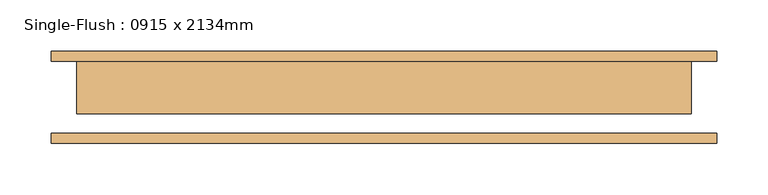
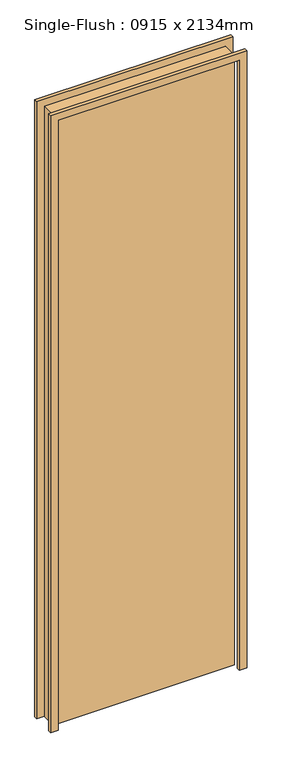
"""IFC4 building model written with IfcOpenShell, lengths in millimetres: door geometry, Single-Flush : 0915 x 2134mm."""

from ifc_helpers import new_model, si_unit, frame, origin, origin_with_axes, place, context, project, spatial, polyline, outline, extrude, source, transform, mapped, element, save


def single_flush_0915_x_2134mm_3a859b1a(model_context):
    return source(origin(), model_context, "Body", "SweptSolid", [
        extrude(outline(polyline([(2159.0, -325.0), (0.0, -325.0), (0.0, -300.0), (2134.0, -300.0), (2134.0, 300.0), (0.0, 300.0), (0.0, 325.0), (2159.0, 325.0), (2159.0, -325.0)])), frame((0.0, 35.0, 0.0), z_axis=(0.0, 1.0, 0.0), x_axis=(0.0, 0.0, 1.0)), (0.0, 0.0, 1.0), 10.0),
        extrude(outline(polyline([(2159.0, 325.0), (2159.0, -325.0), (0.0, -325.0), (0.0, -300.0), (2134.0, -300.0), (2134.0, 300.0), (0.0, 300.0), (0.0, 325.0), (2159.0, 325.0)])), frame((0.0, -45.0, 0.0), z_axis=(0.0, 1.0, 0.0), x_axis=(0.0, 0.0, 1.0)), (0.0, 0.0, 1.0), 10.0),
        extrude(outline(polyline([(300.0, -16.0), (-300.0, -16.0), (-300.0, 35.0), (300.0, 35.0), (300.0, -16.0)])), origin_with_axes(), (0.0, 0.0, 1.0), 2134.0),
    ])


if __name__ == "__main__":
    model = new_model("IFC4")
    model_context = context("Model", 3, world=origin())
    ifc_project = project(units=[si_unit("LENGTHUNIT", "METRE", prefix="MILLI")], contexts=[model_context])
    site = spatial("IfcSite", under=ifc_project)
    building = spatial("IfcBuilding", under=site)
    placement = place(None, origin())
    single_flush_0915_x_2134mm_shape = single_flush_0915_x_2134mm_3a859b1a(model_context)
    element("IfcDoor", 1, ObjectType="Single-Flush : 0915 x 2134mm", at=placement, inside=building, context=model_context, shape_type="MappedRepresentation", body=[
        mapped(single_flush_0915_x_2134mm_shape, transform((0.0, 0.0, 0.0), x_axis=(1.0, 0.0, 0.0), y_axis=(0.0, 1.0, 0.0), z_axis=(0.0, 0.0, 1.0))),
    ])
    save(model, "model.ifc")
